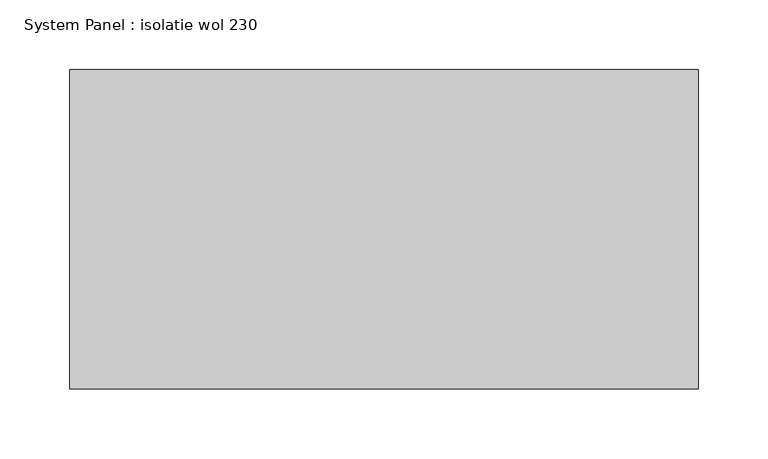
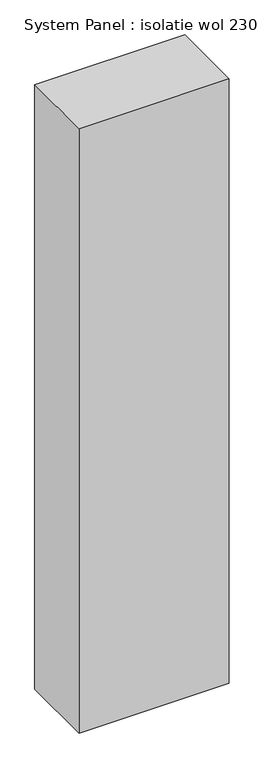
"""IFC4 building model written with IfcOpenShell, lengths in millimetres: plate geometry, System Panel : isolatie wol 230."""

from ifc_helpers import new_model, si_unit, origin, origin_with_axes, place, context, project, spatial, polyline, outline, extrude, source, transform, mapped, element, save


def system_panel_isolatie_wol_230_95c047b2(model_context):
    return source(origin(), model_context, "Body", "SweptSolid", [
        extrude(outline(polyline([(226.2500001, -230.0), (-226.2500001, -230.0), (-226.2500001, 0.0), (226.2500001, 0.0), (226.2500001, -230.0)])), origin_with_axes(), (0.0, 0.0, 1.0), 1924.0),
    ])


if __name__ == "__main__":
    model = new_model("IFC4")
    model_context = context("Model", 3, world=origin())
    ifc_project = project(units=[si_unit("LENGTHUNIT", "METRE", prefix="MILLI")], contexts=[model_context])
    site = spatial("IfcSite", under=ifc_project)
    building = spatial("IfcBuilding", under=site)
    placement = place(None, origin())
    system_panel_isolatie_wol_230_shape = system_panel_isolatie_wol_230_95c047b2(model_context)
    element("IfcPlate", 1, ObjectType="System Panel : isolatie wol 230", at=placement, inside=building, context=model_context, shape_type="MappedRepresentation", body=[
        mapped(system_panel_isolatie_wol_230_shape, transform((0.0, 0.0, 0.0), x_axis=(1.0, 0.0, 0.0), y_axis=(0.0, 1.0, 0.0), z_axis=(0.0, 0.0, 1.0))),
    ])
    save(model, "model.ifc")
